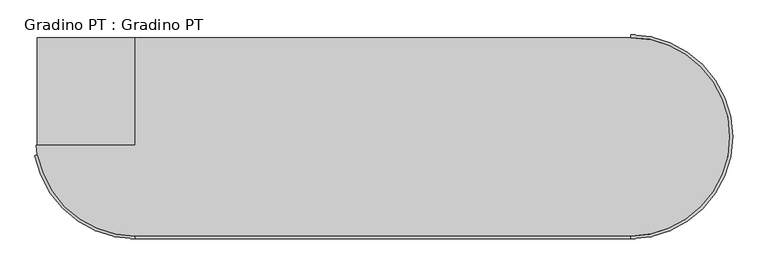
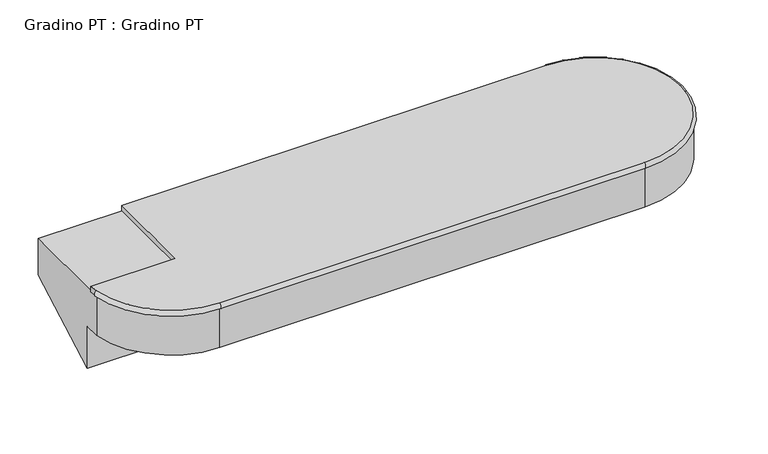
"""IFC4 building model written with IfcOpenShell, lengths in millimetres: stair geometry, Gradino PT : Gradino PT."""

from ifc_helpers import new_model, si_unit, point, frame, origin, place, context, project, spatial, circle_curve, ellipse_curve, trimmed, source, transform, mapped, element, save
from ifc_brep_helpers import plane_surface, cylinder_surface, revolved_surface, extruded_surface, advanced_brep


def gradino_pt_gradino_pt_987eab29(model_context):
    return source(origin(), model_context, "Body", "AdvancedBrep", [
        advanced_brep(
        [(-2625.6424823, 2505.2434867, 741.8518519), (-2625.6424823, 2505.2434867, 610.588402), (-2625.6424823, 2215.2434867, 448.7365501), (-2625.6424823, 2215.2434867, 600.0), (-2625.6424823, 2161.6244603, 600.0), (-2625.6424823, 2161.6244603, 741.8518519), (-2625.6424823, 2190.2434867, 741.8518519), (-2340.6424823, 1925.2434867, 600.0), (-890.6424823, 1925.2434867, 600.0), (-890.6424823, 1925.2434867, 741.8518519), (-2340.6424823, 1925.2434867, 741.8518519), (-2340.6424823, 2190.2434867, 741.8518519), (-2340.6424823, 2505.2434867, 741.8518519), (-2340.6424823, 2505.2434867, 761.8518519), (-890.6424823, 2505.2434867, 761.8518519), (-890.6424823, 2505.2434867, 741.8518519), (-890.6424823, 2505.2434867, 610.588402), (-600.6424823, 2215.2434867, 448.7365501), (-600.6424823, 2215.2434867, 600.0), (-890.6424823, 1925.2434867, 761.8518519), (-2340.6424823, 1925.2434867, 761.8518519), (-2625.6424823, 2161.6244603, 761.8518519), (-2340.6424823, 2190.2434867, 761.8518519), (-2629.5628865, 2190.2434867, 761.8518519), (-2629.5628865, 2190.2434867, 741.8518519)],
        [
            (0, 1),
            (1, 2),
            (2, 3),
            (3, 4),
            (4, 5),
            (5, 6),
            (6, 0),
            (7, 8),
            (8, 9),
            (9, 10),
            (10, 7),
            (6, 11),
            (11, 12),
            (12, 0),
            (12, 13),
            (13, 14),
            (14, 15),
            (15, 16),
            (16, 1),
            (16, 17, ellipse_curve(frame((-890.6424823, 2215.2434867, 448.7365501), z_axis=(0.0, 0.48734638429708427, -0.8732087389121566), x_axis=(0.0, -0.8732087389121566, -0.487346384297084)), 332.1084491, 290.0)),
            (17, 2),
            (8, 18, circle_curve(frame((-890.6424823, 2215.2434867, 600.0), z_axis=(0.0, 0.0, 1.0), x_axis=(1.0, 0.0, 0.0)), 290.0)),
            (18, 17),
            (15, 9, circle_curve(frame((-890.6424823, 2215.2434867, 741.8518519), z_axis=(0.0, 0.0, -1.0), x_axis=(1.0, 0.0, 0.0)), 290.0)),
            (4, 7, circle_curve(frame((-2340.6424823, 2215.2434867, 600.0), z_axis=(0.0, 0.0, 1.0), x_axis=(1.0, 0.0, 0.0)), 290.0)),
            (10, 5, circle_curve(frame((-2340.6424823, 2215.2434867, 741.8518519), z_axis=(0.0, 0.0, -1.0), x_axis=(1.0, 0.0, 0.0)), 290.0)),
            (18, 3),
            (14, 15, ellipse_curve(frame((-890.6424823, 2505.2434867, 751.8518519), z_axis=(-1.0, 0.0, 0.0), x_axis=(0.0, 0.0, 1.0)), 10.0, 7.6970553)),
            (14, 19, circle_curve(frame((-890.6424823, 2215.2434867, 761.8518519), z_axis=(0.0, 0.0, -1.0), x_axis=(0.0, 1.0, 0.0)), 290.0)),
            (19, 9, ellipse_curve(frame((-890.6424823, 1925.2434867, 751.8518519), z_axis=(1.0, 0.0, 0.0), x_axis=(0.0, 0.0, 1.0)), 10.0, 7.6970553)),
            (19, 20),
            (20, 10, ellipse_curve(frame((-2340.6424823, 1925.2434867, 751.8518519), z_axis=(1.0, 0.0, 0.0), x_axis=(0.0, 0.0, 1.0)), 10.0, 7.6970553)),
            (5, 21, ellipse_curve(frame((-2625.6424823, 2161.6244603, 751.8518519), z_axis=(-0.18489319473570964, 0.9827586206899551, 0.0), x_axis=(0.0, 0.0, 1.0)), 10.0, 7.6970553)),
            (21, 5),
            (20, 21, circle_curve(frame((-2340.6424823, 2215.2434867, 761.8518519), z_axis=(0.0, 0.0, -1.0), x_axis=(0.0, -1.0, 0.0)), 290.0)),
            (13, 22),
            (22, 23),
            (23, 21, circle_curve(frame((-2340.6424823, 2215.2434867, 761.8518519), z_axis=(0.0, 0.0, 1.0), x_axis=(1.0, 0.0, 0.0)), 290.0)),
            (5, 24, circle_curve(frame((-2340.6424823, 2215.2434867, 741.8518519), z_axis=(0.0, 0.0, -1.0), x_axis=(1.0, 0.0, 0.0)), 290.0)),
            (24, 6),
            (23, 24),
            (11, 22),
        ],
        [
            plane_surface(frame((-2625.6424823, 2505.2434867, 600.0), z_axis=(-1.0, 0.0, 0.0), x_axis=(0.0, 0.0, -1.0))),
            plane_surface(frame((-2625.6424823, 1925.2434867, 600.0), z_axis=(0.0, -1.0, 0.0), x_axis=(1.0, 0.0, 0.0))),
            plane_surface(frame((-2625.6424823, 1925.2434867, 741.8518519), z_axis=(0.0, 0.0, 1.0), x_axis=(1.0, 0.0, 0.0))),
            plane_surface(frame((-2625.6424823, 2505.2434867, 741.8518519), z_axis=(0.0, 1.0, 0.0), x_axis=(1.0, 0.0, 0.0))),
            plane_surface(frame((-2625.6424823, 2505.2434867, 610.588402), z_axis=(0.0, 0.48734638429708427, -0.8732087389121566), x_axis=(1.0, 0.0, 0.0))),
            cylinder_surface(frame((-890.6424823, 2215.2434867, 417.1892359), z_axis=(0.0, 0.0, -1.0), x_axis=(1.0, 0.0, 0.0)), 290.0),
            cylinder_surface(frame((-2340.6424823, 2215.2434867, 600.0), z_axis=(0.0, 0.0, -1.0), x_axis=(1.0, 0.0, 0.0)), 290.0),
            plane_surface(frame((-2625.6424823, 2215.2434867, 448.7365501), z_axis=(0.0, -1.0, 0.0), x_axis=(1.0, 0.0, 0.0))),
            plane_surface(frame((-2625.6424823, 2215.2434867, 600.0), z_axis=(0.0, 0.0, -1.0), x_axis=(1.0, 0.0, 0.0))),
            plane_surface(frame((-890.6424823, 2505.2434867, 741.8518519), z_axis=(-1.0, 0.0, 0.0), x_axis=(0.0, 0.0, 1.0))),
            revolved_surface(trimmed(ellipse_curve(frame((-890.6424823, 2505.2434867, 751.8518519), z_axis=(-1.0, 0.0, 0.0), x_axis=(0.0, 0.0, 1.0)), 10.0, 7.6970553), [point((-890.6424823, 2505.2434867, 761.8518519))], [point((-890.6424823, 2505.2434867, 741.8518519))], True, "CARTESIAN"), (-890.6424823, 2215.2434867, 741.8518519), (0.0, 0.0, -1.0)),
            extruded_surface(trimmed(ellipse_curve(frame((-2340.6424823, 1925.2434867, 751.8518519), z_axis=(1.0, 0.0, 0.0), x_axis=(0.0, 0.0, 1.0)), 10.0, 7.6970553), [point((-2340.6424823, 1925.2434867, 761.8518519))], [point((-2340.6424823, 1925.2434867, 741.8518519))], True, "CARTESIAN"), (1450.0000000000002, 0.0, 0.0), 1450.0000000000002),
            plane_surface(frame((-2625.6424823, 2161.6244603, 741.8518519), z_axis=(-0.1848931947357096, 0.9827586206899551, 0.0), x_axis=(0.0, 0.0, 1.0))),
            revolved_surface(trimmed(ellipse_curve(frame((-2340.6424823, 1925.2434867, 751.8518519), z_axis=(1.0, 0.0, 0.0), x_axis=(0.0, 0.0, 1.0)), 10.0, 7.6970553), [point((-2340.6424823, 1925.2434867, 761.8518519))], [point((-2340.6424823, 1925.2434867, 741.8518519))], True, "CARTESIAN"), (-2340.6424823, 2215.2434867, 741.8518519), (0.0, 0.0, -1.0)),
            plane_surface(frame((-2050.6424823, 2215.2434867, 761.8518519), z_axis=(0.0, 0.0, 1.0), x_axis=(0.0, 1.0, 0.0))),
            plane_surface(frame((-2050.6424823, 2215.2434867, 741.8518519), z_axis=(0.0, 0.0, -1.0), x_axis=(0.0, -1.0, 0.0))),
            cylinder_surface(frame((-2340.6424823, 2215.2434867, 741.8518519), z_axis=(0.0, 0.0, 1.0), x_axis=(1.0, 0.0, 0.0)), 290.0),
            plane_surface(frame((-2340.6424823, 2505.2434867, 761.8518519), z_axis=(-1.0, 0.0, 0.0), x_axis=(0.0, 0.0, -1.0))),
            plane_surface(frame((-2340.6424823, 2190.2434867, 761.8518519), z_axis=(0.0, 1.0, 0.0), x_axis=(0.0, 0.0, -1.0))),
        ],
        [
            (0, [[1, 2, 3, 4, 5, 6, 7]]),
            (1, [[8, 9, 10, 11]]),
            (2, [[-7, 12, 13, 14]]),
            (3, [[-1, -14, 15, 16, 17, 18, 19]]),
            (4, [[-2, -19, 20, 21]]),
            (5, [[-9, 22, 23, -20, -18, 24]]),
            (6, [[-5, 25, -11, 26]]),
            (7, [[-3, -21, -23, 27]]),
            (8, [[-4, -27, -22, -8, -25]]),
            (9, [[28, -17]]),
            (10, [[-28, 29, 30, -24]]),
            (11, [[-30, 31, 32, -10]]),
            (12, [[33, 34]]),
            (13, [[-32, 35, -33, -26]]),
            (14, [[-16, 36, 37, 38, -35, -31, -29]]),
            (15, [[39, 40, -6]]),
            (16, [[41, -39, -34, -38]]),
            (17, [[-36, -15, -13, 42]]),
            (18, [[-37, -42, -12, -40, -41]]),
        ],
    ),
    ])


if __name__ == "__main__":
    model = new_model("IFC4")
    model_context = context("Model", 3, world=origin())
    ifc_project = project(units=[si_unit("LENGTHUNIT", "METRE", prefix="MILLI")], contexts=[model_context])
    site = spatial("IfcSite", under=ifc_project)
    building = spatial("IfcBuilding", under=site)
    placement = place(None, origin())
    gradino_pt_gradino_pt_shape = gradino_pt_gradino_pt_987eab29(model_context)
    element("IfcStair", 1, ObjectType="Gradino PT : Gradino PT", at=placement, inside=building, context=model_context, shape_type="MappedRepresentation", body=[
        mapped(gradino_pt_gradino_pt_shape, transform((0.0, 0.0, 0.0), x_axis=(1.0, 0.0, 0.0), y_axis=(0.0, 1.0, 0.0), z_axis=(0.0, 0.0, 1.0))),
    ])
    save(model, "model.ifc")
